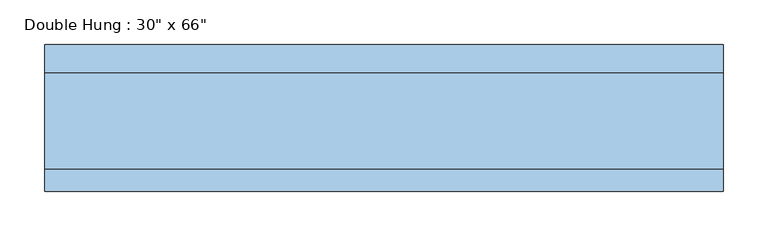
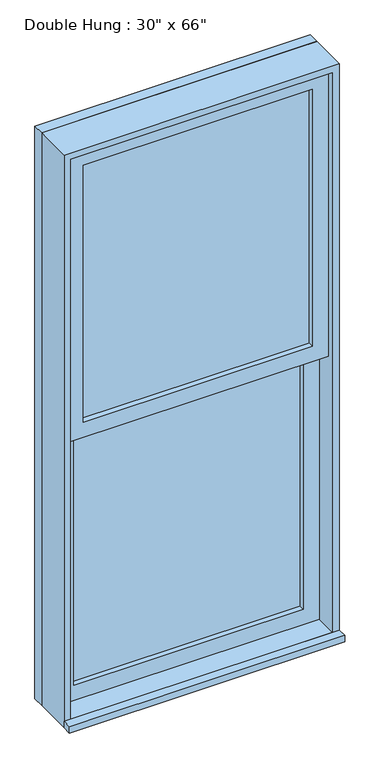
"""IFC4 building model written with IfcOpenShell, lengths in millimetres: window geometry."""

from ifc_helpers import new_model, si_unit, frame, origin, place, context, project, spatial, polyline, outline, extrude, source, transform, mapped, element, save


def window_a7ad352c(model_context):
    return source(origin(), model_context, "Body", "SweptSolid", [
        extrude(outline(polyline([(-317.5, 9.525), (-317.5, 22.225), (317.5, 22.225), (317.5, 9.525), (-317.5, 9.525)])), frame((0.0, 0.0, 368.3), z_axis=(0.0, 0.0, 1.0), x_axis=(1.0, 0.0, 0.0)), (0.0, 0.0, 1.0), 752.475),
        extrude(outline(polyline([(1165.225, -361.95), (323.85, -361.95), (323.85, 361.95), (1165.225, 361.95), (1165.225, -361.95)]), holes=[polyline([(1120.775, -317.5), (1120.775, 317.5), (368.3, 317.5), (368.3, -317.5), (1120.775, -317.5)])]), frame((0.0, -6.35, 0.0), z_axis=(0.0, 1.0, 0.0), x_axis=(0.0, 0.0, 1.0)), (0.0, 0.0, 1.0), 44.45),
        extrude(outline(polyline([(-381.0, -95.25), (-381.0, -69.85), (381.0, -69.85), (381.0, -95.25), (-381.0, -95.25)])), frame((0.0, 0.0, 304.8), z_axis=(0.0, 0.0, 1.0), x_axis=(1.0, 0.0, 0.0)), (0.0, 0.0, 1.0), 19.05),
        extrude(outline(polyline([(317.5, -22.225), (317.5, -34.925), (-317.5, -34.925), (-317.5, -22.225), (317.5, -22.225)])), frame((0.0, 0.0, 1165.225), z_axis=(0.0, 0.0, 1.0), x_axis=(1.0, 0.0, 0.0)), (0.0, 0.0, 1.0), 752.475),
        extrude(outline(polyline([(1962.15, -361.95), (1120.775, -361.95), (1120.775, 361.95), (1962.15, 361.95), (1962.15, -361.95)]), holes=[polyline([(1917.7, -317.5), (1917.7, 317.5), (1165.225, 317.5), (1165.225, -317.5), (1917.7, -317.5)])]), frame((0.0, -50.8, 0.0), z_axis=(0.0, 1.0, 0.0), x_axis=(0.0, 0.0, 1.0)), (0.0, 0.0, 1.0), 44.45),
        extrude(outline(polyline([(1981.2, -381.0), (304.8, -381.0), (304.8, 381.0), (1981.2, 381.0), (1981.2, -381.0)]), holes=[polyline([(1949.45, -349.25), (1949.45, 349.25), (336.55, 349.25), (336.55, -349.25), (1949.45, -349.25)])]), frame((0.0, 38.1, 0.0), z_axis=(0.0, 1.0, 0.0), x_axis=(0.0, 0.0, 1.0)), (0.0, 0.0, 1.0), 31.75),
        extrude(outline(polyline([(1981.2, 381.0), (1981.2, -381.0), (304.8, -381.0), (304.8, 381.0), (1981.2, 381.0)]), holes=[polyline([(1962.15, 361.95), (323.85, 361.95), (323.85, -361.95), (1962.15, -361.95), (1962.15, 361.95)])]), frame((0.0, -69.85, 0.0), z_axis=(0.0, 1.0, 0.0), x_axis=(0.0, 0.0, 1.0)), (0.0, 0.0, 1.0), 107.95),
    ])


if __name__ == "__main__":
    model = new_model("IFC4")
    model_context = context("Model", 3, world=origin())
    ifc_project = project(units=[si_unit("LENGTHUNIT", "METRE", prefix="MILLI")], contexts=[model_context])
    site = spatial("IfcSite", under=ifc_project)
    building = spatial("IfcBuilding", under=site)
    placement = place(None, origin())
    window_shape = window_a7ad352c(model_context)
    element("IfcWindow", 1, ObjectType="Double Hung : 30\" x 66\"", at=placement, inside=building, context=model_context, shape_type="MappedRepresentation", body=[
        mapped(window_shape, transform((0.0, 0.0, 0.0), x_axis=(1.0, 0.0, 0.0), y_axis=(0.0, 1.0, 0.0), z_axis=(0.0, 0.0, 1.0))),
    ])
    save(model, "model.ifc")
